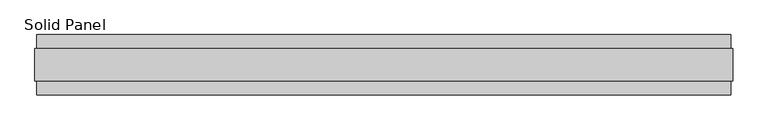
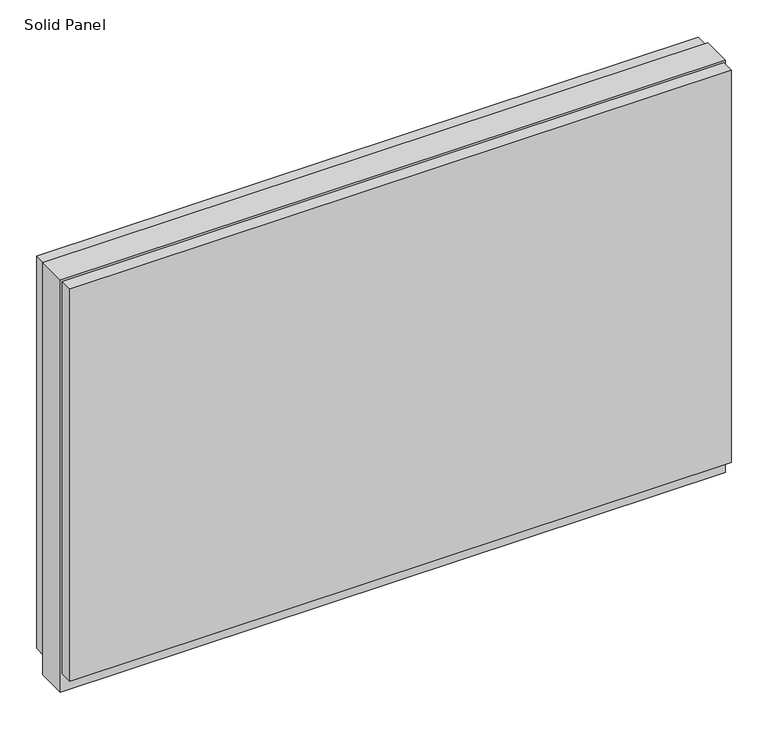
"""IFC4 building model written with IfcOpenShell, lengths in millimetres: plate geometry, Solid Panel."""

from ifc_helpers import new_model, si_unit, frame, origin, origin_with_axes, place, context, project, spatial, polyline, outline, extrude, source, transform, mapped, element, save


def solid_panel_23ce9105(model_context):
    return source(origin(), model_context, "Body", "SweptSolid", [
        extrude(outline(polyline([(555.8028, -48.4531867), (-555.8028, -48.4531867), (-555.8028, -25.9961), (555.8028, -25.9961), (555.8028, -48.4531867)])), frame((0.0, 0.0, 32.004), z_axis=(0.0, 0.0, 1.0), x_axis=(1.0, 0.0, 0.0)), (0.0, 0.0, 1.0), 697.7761),
        extrude(outline(polyline([(555.8028, 25.9977), (-555.8028, 25.9977), (-555.8028, 48.4547867), (555.8028, 48.4547867), (555.8028, 25.9977)])), frame((0.0, 0.0, 32.004), z_axis=(0.0, 0.0, 1.0), x_axis=(1.0, 0.0, 0.0)), (0.0, 0.0, 1.0), 697.7761),
        extrude(outline(polyline([(558.8, -25.9961), (-558.8, -25.9961), (-558.8, 25.9977), (558.8, 25.9977), (558.8, -25.9961)])), origin_with_axes(), (0.0, 0.0, 1.0), 732.79),
    ])


if __name__ == "__main__":
    model = new_model("IFC4")
    model_context = context("Model", 3, world=origin())
    ifc_project = project(units=[si_unit("LENGTHUNIT", "METRE", prefix="MILLI")], contexts=[model_context])
    site = spatial("IfcSite", under=ifc_project)
    building = spatial("IfcBuilding", under=site)
    placement = place(None, origin())
    solid_panel_shape = solid_panel_23ce9105(model_context)
    element("IfcPlate", 1, ObjectType="Solid Panel", at=placement, inside=building, context=model_context, shape_type="MappedRepresentation", body=[
        mapped(solid_panel_shape, transform((0.0, 0.0, 0.0), x_axis=(1.0, 0.0, 0.0), y_axis=(0.0, 1.0, 0.0), z_axis=(0.0, 0.0, 1.0))),
    ])
    save(model, "model.ifc")
